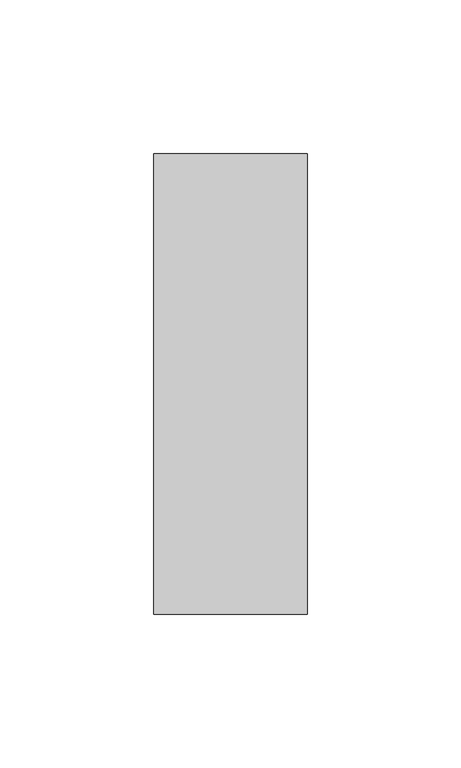
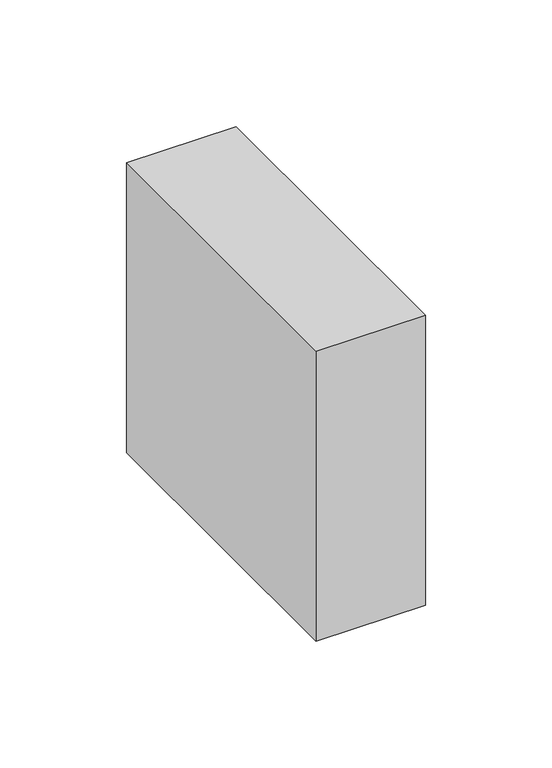
"""IFC4 building model written with IfcOpenShell, lengths in millimetres: member geometry."""

from ifc_helpers import new_model, si_unit, frame, origin, place, context, project, spatial, polyline, outline, extrude, source, transform, mapped, element, save


def member_004b0564(model_context):
    return source(origin(), model_context, "Body", "SweptSolid", [
        extrude(outline(polyline([(0.0, 75.0), (0.0, -75.0), (-50.0, -75.0), (-50.0, 75.0), (0.0, 75.0)])), frame((0.0, 0.0, -140.0), z_axis=(0.0, 0.0, 1.0), x_axis=(1.0, 0.0, 0.0)), (0.0, 0.0, 1.0), 140.0),
    ])


if __name__ == "__main__":
    model = new_model("IFC4")
    model_context = context("Model", 3, world=origin())
    ifc_project = project(units=[si_unit("LENGTHUNIT", "METRE", prefix="MILLI")], contexts=[model_context])
    site = spatial("IfcSite", under=ifc_project)
    building = spatial("IfcBuilding", under=site)
    placement = place(None, origin())
    member_shape = member_004b0564(model_context)
    element("IfcMember", 1, at=placement, inside=building, context=model_context, shape_type="MappedRepresentation", body=[
        mapped(member_shape, transform((0.0, 0.0, 0.0), x_axis=(1.0, 0.0, 0.0), y_axis=(0.0, 1.0, 0.0), z_axis=(0.0, 0.0, 1.0))),
    ])
    save(model, "model.ifc")
